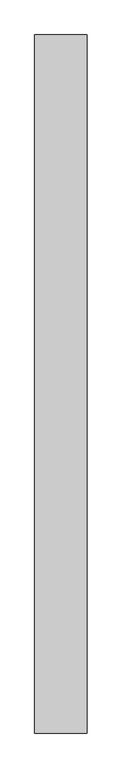
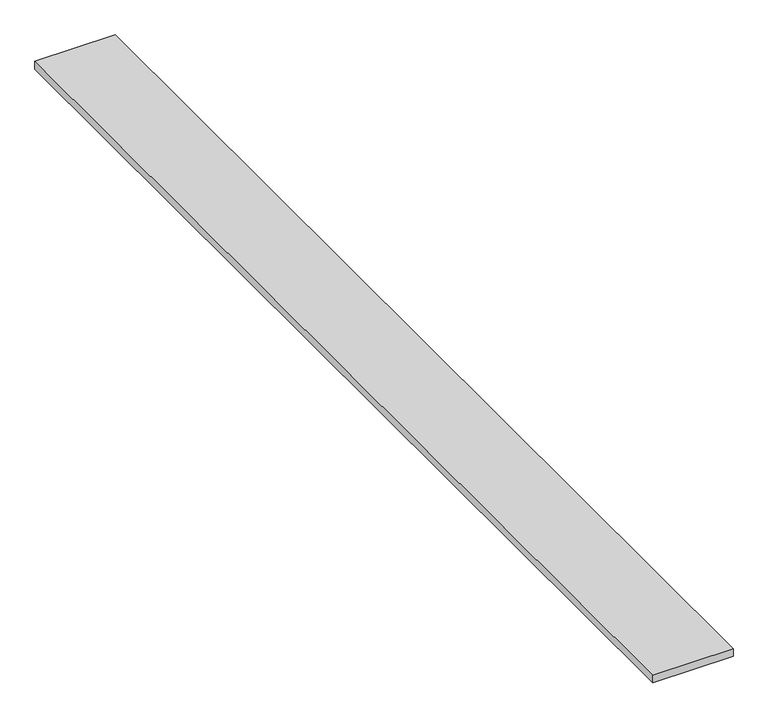
"""IFC4 building model written with IfcOpenShell, lengths in millimetres: proxy geometry."""

from ifc_helpers import new_model, si_unit, origin, origin_with_axes, place, context, project, spatial, polyline, outline, extrude, source, transform, mapped, element, save


def generic_models_9add1036(model_context):
    return source(origin(), model_context, "Body", "SweptSolid", [
        extrude(outline(polyline([(1500.0, 20000.0), (1500.0, 0.0), (0.0, 0.0), (0.0, 20000.0), (1500.0, 20000.0)])), origin_with_axes(), (0.0, 0.0, 1.0), 150.0),
    ])


if __name__ == "__main__":
    model = new_model("IFC4")
    model_context = context("Model", 3, world=origin())
    ifc_project = project(units=[si_unit("LENGTHUNIT", "METRE", prefix="MILLI")], contexts=[model_context])
    site = spatial("IfcSite", under=ifc_project)
    building = spatial("IfcBuilding", under=site)
    placement = place(None, origin())
    generic_models_shape = generic_models_9add1036(model_context)
    element("IfcBuildingElementProxy", 1, Name="Generic Models", at=placement, inside=building, context=model_context, shape_type="MappedRepresentation", body=[
        mapped(generic_models_shape, transform((0.0, 0.0, 0.0), x_axis=(1.0, 0.0, 0.0), y_axis=(0.0, 1.0, 0.0), z_axis=(0.0, 0.0, 1.0))),
    ])
    save(model, "model.ifc")
